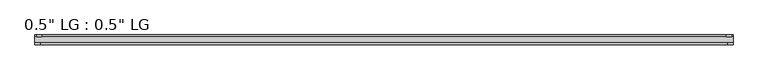
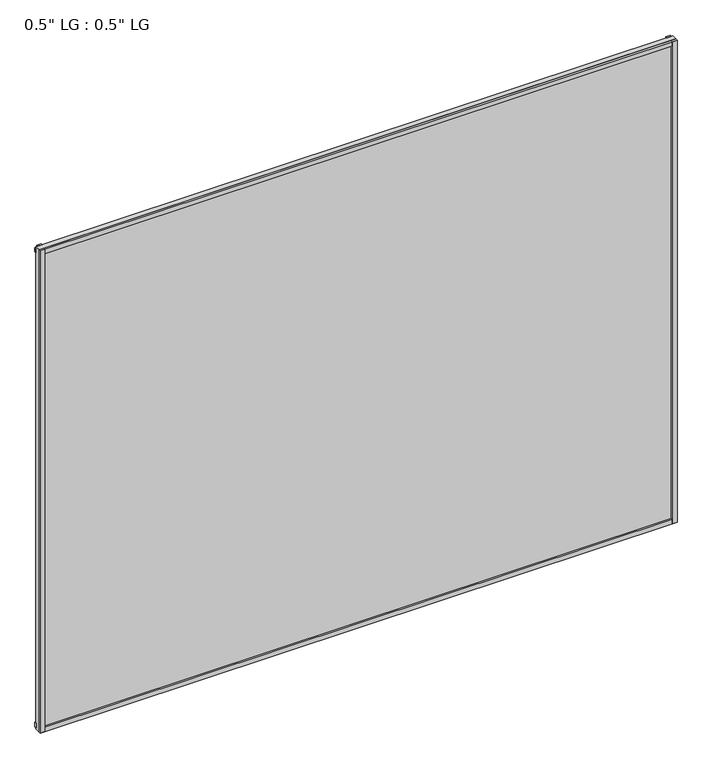
"""IFC4 building model written with IfcOpenShell, lengths in millimetres: plate geometry."""

import ifcopenshell
import ifcopenshell.guid

model = None  # the IFC model being written
_history = None  # IfcOwnerHistory: only IFC2X3 demands one
_inside = {}  # id of a spatial element -> (the spatial element, [elements in it])
_under = {}  # id of a project, library or spatial element -> (it, [spatial elements below it])
_declared = {}  # id of a project -> (the project, [libraries it declares])
_typed = {}  # id of a type object -> (the type object, [elements of that type])
_made_of = {}  # id of a material, layer set ... -> (it, [elements and type objects made of it])


def new_model(schema):
    """Start an empty IFC model of exactly this schema.

    Asked for "IFC4X3", IfcOpenShell would pick the latest addendum, in which some entities
    have other attributes; the version numbers below select the first issue.
    IFC2X3 requires an IfcOwnerHistory on every rooted entity: one is made here for all.
    """
    global model, _history
    if schema == "IFC4X3":
        model = ifcopenshell.file(schema_version=(4, 3, 0, 0))
    else:
        model = ifcopenshell.file(schema=schema)
    _inside.clear()
    _under.clear()
    _declared.clear()
    _typed.clear()
    _made_of.clear()
    _history = None
    if model.schema == "IFC2X3":
        org = make("IfcOrganization", Name="unknown")
        user = make(
            "IfcPersonAndOrganization",
            ThePerson=make("IfcPerson", FamilyName="unknown"),
            TheOrganization=org,
        )
        app = make(
            "IfcApplication",
            ApplicationDeveloper=org,
            Version="unknown",
            ApplicationFullName="unknown",
            ApplicationIdentifier="unknown",
        )
        _history = make(
            "IfcOwnerHistory",
            OwningUser=user,
            OwningApplication=app,
            ChangeAction="ADDED",
            CreationDate=0,
        )
    return model


def make(cls, **values):
    """One entity of the class cls with the attributes given. An attribute that is None is left unset."""
    return model.create_entity(
        cls, **{name: value for name, value in values.items() if value is not None}
    )


def rooted(cls, **values):
    """An entity with a GlobalId (a new one), such as an element, a storey or a relation."""
    return make(cls, GlobalId=ifcopenshell.guid.new(), OwnerHistory=_history, **values)


def si_unit(unit_type, name, prefix=None):
    """IfcSIUnit, for example si_unit("LENGTHUNIT", "METRE", prefix="MILLI")."""
    return make("IfcSIUnit", UnitType=unit_type, Prefix=prefix, Name=name)


def assignment(units):
    """IfcUnitAssignment: the units of a project."""
    return None if units is None else make("IfcUnitAssignment", Units=units)


def point(xyz):
    """IfcCartesianPoint."""
    return None if xyz is None else make("IfcCartesianPoint", Coordinates=xyz)


def direction(xyz):
    """IfcDirection."""
    return None if xyz is None else make("IfcDirection", DirectionRatios=xyz)


def frame(location, z_axis=None, x_axis=None):
    """IfcAxis2Placement3D, a coordinate frame: its origin and axes. An axis left out is left unset."""
    return make(
        "IfcAxis2Placement3D",
        Location=point(location),
        Axis=direction(z_axis),
        RefDirection=direction(x_axis),
    )


def origin():
    """The frame at (0, 0, 0) with its axes left unset."""
    return frame((0.0, 0.0, 0.0))


def origin_with_axes():
    """The frame at (0, 0, 0) with the z axis (0, 0, 1) and the x axis (1, 0, 0) written out."""
    return frame((0.0, 0.0, 0.0), z_axis=(0.0, 0.0, 1.0), x_axis=(1.0, 0.0, 0.0))


def place(relative_to, where):
    """IfcLocalPlacement: puts the frame where relative to a parent placement (None: the world)."""
    return make(
        "IfcLocalPlacement", PlacementRelTo=relative_to, RelativePlacement=where
    )


def context(
    kind, dimensions, precision=None, world=None, true_north=None, identifier=None
):
    """IfcGeometricRepresentationContext, for example the 3D "Model" context."""
    return make(
        "IfcGeometricRepresentationContext",
        ContextIdentifier=identifier,
        ContextType=kind,
        CoordinateSpaceDimension=dimensions,
        Precision=precision,
        WorldCoordinateSystem=world,
        TrueNorth=true_north,
    )


def project(units=None, contexts=None):
    """IfcProject with its units and contexts."""
    return rooted(
        "IfcProject",
        Name="project",
        RepresentationContexts=contexts,
        UnitsInContext=assignment(units),
    )


def spatial(cls, under=None, at=None, **own):
    """A site, building, storey or space (cls), placed at a placement, below another one or the project."""
    s = rooted(cls, ObjectPlacement=at, **own)
    if under is not None:
        _under.setdefault(under.id(), (under, []))[1].append(s)
    return s


def polyline(points):
    """IfcPolyline through the points."""
    return make("IfcPolyline", Points=[point(p) for p in points])


def outline(outer, holes=None, kind="AREA"):
    """IfcArbitraryClosedProfileDef: a profile drawn as a closed curve; with holes, ...WithVoids."""
    if holes is None:
        return make("IfcArbitraryClosedProfileDef", ProfileType=kind, OuterCurve=outer)
    return make(
        "IfcArbitraryProfileDefWithVoids",
        ProfileType=kind,
        OuterCurve=outer,
        InnerCurves=holes,
    )


def extrude(swept, where, along, depth):
    """IfcExtrudedAreaSolid: the profile swept, set in the frame where, extruded along a direction by depth."""
    return make(
        "IfcExtrudedAreaSolid",
        SweptArea=swept,
        Position=where,
        ExtrudedDirection=direction(along),
        Depth=depth,
    )


def shape(context_of_items, identifier, shape_type, items):
    """IfcShapeRepresentation: the items that make up one representation, for example the "Body"."""
    return make(
        "IfcShapeRepresentation",
        ContextOfItems=context_of_items,
        RepresentationIdentifier=identifier,
        RepresentationType=shape_type,
        Items=items,
    )


def source(mapping_origin, context_of_items, identifier, shape_type, items):
    """IfcRepresentationMap: a shape defined once, which mapped items show again and again."""
    return make(
        "IfcRepresentationMap",
        MappingOrigin=mapping_origin,
        MappedRepresentation=shape(context_of_items, identifier, shape_type, items),
    )


def transform(
    local_origin,
    x_axis=None,
    y_axis=None,
    z_axis=None,
    scale=None,
    scale2=None,
    scale3=None,
    uniform=True,
):
    """IfcCartesianTransformationOperator3D, or its non-uniform kind. x_axis, y_axis, z_axis: its Axis1, 2, 3."""
    if uniform:
        return make(
            "IfcCartesianTransformationOperator3D",
            Axis1=direction(x_axis),
            Axis2=direction(y_axis),
            LocalOrigin=point(local_origin),
            Scale=scale,
            Axis3=direction(z_axis),
        )
    return make(
        "IfcCartesianTransformationOperator3DnonUniform",
        Axis1=direction(x_axis),
        Axis2=direction(y_axis),
        LocalOrigin=point(local_origin),
        Scale=scale,
        Axis3=direction(z_axis),
        Scale2=scale2,
        Scale3=scale3,
    )


def mapped(mapping_source, mapping_target):
    """IfcMappedItem: shows the shape of a source again, moved by a transform."""
    return make(
        "IfcMappedItem", MappingSource=mapping_source, MappingTarget=mapping_target
    )


def made_of(thing, what):
    """Note that an element or type object is made of a material, layer set ...; save() writes the relation."""
    if what is not None:
        _made_of.setdefault(what.id(), (what, []))[1].append(thing)
    return thing


def element(
    cls,
    number,
    at=None,
    inside=None,
    cuts=None,
    type_object=None,
    material=None,
    context=None,
    identifier="Body",
    shape_type=None,
    held_by="IfcProductDefinitionShape",
    body=None,
    shapes=None,
    **own,
):
    """One element of the class cls, such as IfcWall. Its Tag is "e" and its number.

    at: its placement. inside: the storey or other place that contains it. cuts: it is an
    opening in that element (IfcRelVoidsElement). A single representation is given by context,
    identifier, shape_type and body (its items); several are given by shapes. held_by: the class
    of the entity that holds the representations. save() writes the other relations.
    """
    e = rooted(cls, Tag="e%d" % number, ObjectPlacement=at, **own)
    if body is not None:
        shapes = [shape(context, identifier, shape_type, body)]
    if shapes is not None:
        e.Representation = make(held_by, Representations=shapes)
    if inside is not None:
        _inside.setdefault(inside.id(), (inside, []))[1].append(e)
    if cuts is not None:
        rooted(
            "IfcRelVoidsElement", RelatingBuildingElement=cuts, RelatedOpeningElement=e
        )
    if type_object is not None:
        _typed.setdefault(type_object.id(), (type_object, []))[1].append(e)
    return made_of(e, material)


def aggregate(whole, parts):
    """IfcRelAggregates: a whole, such as a stair, and the parts it consists of."""
    return rooted("IfcRelAggregates", RelatingObject=whole, RelatedObjects=parts)


def save(model, path):
    """Write the relations noted so far, then the file.

    IfcRelAggregates (storeys below a building ...), IfcRelContainedInSpatialStructure (elements
    in a storey), IfcRelDefinesByType, IfcRelAssociatesMaterial and IfcRelDeclares: one each for
    every whole, place, type object, material and project.
    """
    for whole, parts in _under.values():
        aggregate(whole, parts)
    for where, things in _inside.values():
        rooted(
            "IfcRelContainedInSpatialStructure",
            RelatedElements=things,
            RelatingStructure=where,
        )
    for kind, things in _typed.values():
        rooted("IfcRelDefinesByType", RelatedObjects=things, RelatingType=kind)
    for what, things in _made_of.values():
        rooted("IfcRelAssociatesMaterial", RelatedObjects=things, RelatingMaterial=what)
    for by, libraries in _declared.values():
        rooted("IfcRelDeclares", RelatingContext=by, RelatedDefinitions=libraries)
    model.write(path)


def plate_1e0a20e9(model_context):
    return source(origin(), model_context, "Body", "SweptSolid", [
        extrude(outline(polyline([(804.068369, -33.3271813), (804.068369, -38.0007813), (791.9306894, -38.0007813), (791.9306894, -33.3271813), (804.068369, -33.3271813)])), origin_with_axes(), (0.0, 0.0, 1.0), 1286.9380543),
        extrude(outline(polyline([(800.5370153, -15.5217813), (800.5370153, -19.7127813), (788.5245915, -19.7127813), (788.5245915, -15.5217813), (800.5370153, -15.5217813)])), origin_with_axes(), (0.0, 0.0, 1.0), 1286.9380543),
        extrude(outline(polyline([(-791.777791, -38.0007812), (-804.068369, -38.0007812), (-804.068369, -33.3271813), (-791.777791, -33.3271813), (-791.777791, -38.0007812)])), origin_with_axes(), (0.0, 0.0, 1.0), 1286.9380543),
        extrude(outline(polyline([(-787.8185531, -19.7127813), (-800.1091311, -19.7127813), (-800.1091311, -15.5217812), (-787.8185531, -15.5217812), (-787.8185531, -19.7127813)])), origin_with_axes(), (0.0, 0.0, 1.0), 1286.9380543),
        extrude(outline(polyline([(804.068369, -33.3271813), (804.068369, -38.0007813), (-804.068369, -38.0007812), (-804.068369, -33.3271813), (804.068369, -33.3271813)])), origin_with_axes(), (0.0, 0.0, 1.0), 11.1693096),
        extrude(outline(polyline([(804.068369, -15.3590708), (804.068369, -20.1364307), (-804.068369, -20.1364307), (-804.068369, -15.3590708), (804.068369, -15.3590708)])), frame((0.0, 0.0, 3.848913), z_axis=(0.0, 0.0, 1.0), x_axis=(1.0, 0.0, 0.0)), (0.0, 0.0, 1.0), 11.1693096),
        extrude(outline(polyline([(804.068369, -33.3271813), (804.068369, -38.0007813), (-804.068369, -38.0007812), (-804.068369, -33.3271813), (804.068369, -33.3271813)])), frame((0.0, 0.0, 1275.7569484), z_axis=(0.0, 0.0, 1.0), x_axis=(1.0, 0.0, 0.0)), (0.0, 0.0, 1.0), 11.1811058),
        extrude(outline(polyline([(804.068369, -15.5217813), (804.068369, -19.7127813), (-804.068369, -19.7127812), (-804.068369, -15.5217813), (804.068369, -15.5217813)])), frame((0.0, 0.0, 1271.1978017), z_axis=(0.0, 0.0, 1.0), x_axis=(1.0, 0.0, 0.0)), (0.0, 0.0, 1.0), 11.1811058),
        extrude(outline(polyline([(804.068369, -33.3271812), (-804.068369, -33.3271812), (-804.068369, -19.7127812), (804.068369, -19.7127812), (804.068369, -33.3271812)])), origin_with_axes(), (0.0, 0.0, 1.0), 1286.9380543),
    ])


if __name__ == "__main__":
    model = new_model("IFC4")
    model_context = context("Model", 3, world=origin())
    ifc_project = project(units=[si_unit("LENGTHUNIT", "METRE", prefix="MILLI")], contexts=[model_context])
    site = spatial("IfcSite", under=ifc_project)
    building = spatial("IfcBuilding", under=site)
    placement = place(None, origin())
    plate_shape = plate_1e0a20e9(model_context)
    element("IfcPlate", 1, ObjectType="0.5\" LG : 0.5\" LG", at=placement, inside=building, context=model_context, shape_type="MappedRepresentation", body=[
        mapped(plate_shape, transform((0.0, 0.0, 0.0), x_axis=(1.0, 0.0, 0.0), y_axis=(0.0, 1.0, 0.0), z_axis=(0.0, 0.0, 1.0))),
    ])
    save(model, "model.ifc")
